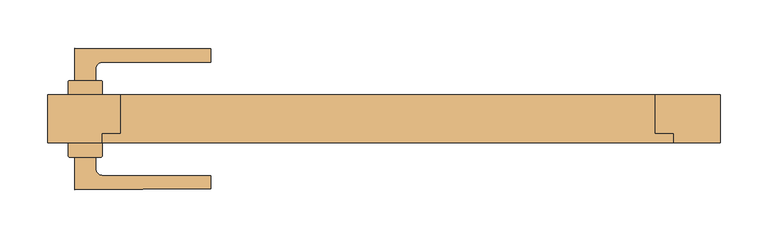
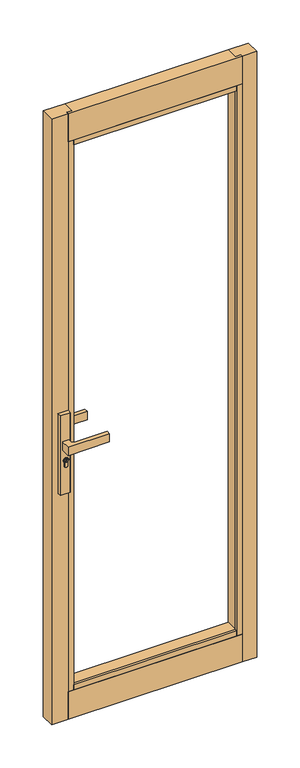
"""IFC4 building model written with IfcOpenShell, lengths in millimetres: door geometry."""

from ifc_helpers import new_model, si_unit, point, frame, frame_2d, origin, place, context, project, spatial, polyline, circle_curve, trimmed, segment, composite_curve, outline, extrude, faceted_brep, source, transform, mapped, element, save


def door_5876ca0b(model_context):
    return source(origin(), model_context, "Body", "SolidModel", [
        extrude(outline(composite_curve([segment(trimmed(circle_curve(frame_2d((945.687184, -315.651515)), 5.9005564), [point((945.687184, -309.7509586))], [point((945.687184, -321.5520714))], False, "CARTESIAN"), True, "CONTINUOUS"), segment(trimmed(circle_curve(frame_2d((945.687184, -315.651515)), 5.9005564), [point((945.687184, -321.5520714))], [point((945.687184, -309.7509586))], False, "CARTESIAN"), True, "CONTINUOUS")], self_intersect=False), holes=[polyline([(949.7292167, -316.7155863), (949.7292167, -314.6676469), (948.9292167, -314.6676469), (948.3483344, -315.7155863), (947.1634303, -315.7155863), (946.3431864, -314.8953425), (944.6002002, -314.8953425), (944.0258593, -315.7155863), (941.7685105, -315.7155863), (941.7685105, -316.7155863), (944.5464263, -316.7155863), (945.1207673, -315.8953425), (945.9289729, -315.8953425), (946.7492167, -316.7155863), (949.7292167, -316.7155863)])]), frame((0.0, 40.2500753, 0.0), z_axis=(0.0, 1.0, 0.0), x_axis=(0.0, 0.0, 1.0)), (0.0, 0.0, 1.0), 4.423715),
        extrude(outline(composite_curve([segment(trimmed(circle_curve(frame_2d((-332.3000337, 39.0000748)), 1.0), [point((-333.3000337, 39.0000748))], [point((-332.3000337, 40.0000748))], False, "CARTESIAN"), True, "CONTINUOUS"), segment(polyline([(-332.3000337, 40.0000748), (-299.3000339, 40.0000748)]), True, "CONTINUOUS"), segment(trimmed(circle_curve(frame_2d((-299.3000339, 39.0000748)), 1.0), [point((-299.3000339, 40.0000748))], [point((-298.3000339, 39.0000748))], False, "CARTESIAN"), True, "CONTINUOUS"), segment(polyline([(-298.3000339, 39.0000748), (-298.3000339, 25.0000751), (-333.3000337, 25.0000751), (-333.3000337, 39.0000748)]), True, "CONTINUOUS")], self_intersect=False)), frame((0.0, 0.0, 822.4734334), z_axis=(0.0, 0.0, 1.0), x_axis=(1.0, 0.0, 0.0)), (0.0, 0.0, 1.0), 287.6450734),
        extrude(outline(composite_curve([segment(polyline([(-333.3000337, -38.9999345), (-333.3000337, -24.9999349), (-298.3000339, -24.9999349), (-298.3000339, -38.9999345)]), True, "CONTINUOUS"), segment(trimmed(circle_curve(frame_2d((-299.3000339, -38.9999345)), 1.0), [point((-298.3000339, -38.9999345))], [point((-299.3000339, -39.9999345))], False, "CARTESIAN"), True, "CONTINUOUS"), segment(polyline([(-299.3000339, -39.9999345), (-332.3000337, -39.9999345)]), True, "CONTINUOUS"), segment(trimmed(circle_curve(frame_2d((-332.3000337, -38.9999345)), 1.0), [point((-332.3000337, -39.9999345))], [point((-333.3000337, -38.9999345))], False, "CARTESIAN"), True, "CONTINUOUS")], self_intersect=False)), frame((0.0, 0.0, 822.4734334), z_axis=(0.0, 0.0, 1.0), x_axis=(1.0, 0.0, 0.0)), (0.0, 0.0, 1.0), 287.6450734),
        extrude(outline(composite_curve([segment(trimmed(circle_curve(frame_2d((945.687184, -315.651515)), 8.4005564), [point((939.648662, -309.811515))], [point((939.2521745, -321.051515))], False, "CARTESIAN"), True, "CONTINUOUS"), segment(polyline([(939.2521745, -321.051515), (926.2077404, -321.051515)]), True, "CONTINUOUS"), segment(trimmed(circle_curve(frame_2d((926.2077404, -315.431515)), 5.62), [point((926.2077404, -321.051515))], [point((926.2077404, -309.811515))], False, "CARTESIAN"), True, "CONTINUOUS"), segment(polyline([(926.2077404, -309.811515), (939.648662, -309.811515)]), True, "CONTINUOUS")], self_intersect=False), holes=[composite_curve([segment(trimmed(circle_curve(frame_2d((945.687184, -315.651515)), 6.4005564), [point((945.687184, -309.2509586))], [point((945.687184, -322.0520714))], True, "CARTESIAN"), True, "CONTINUOUS"), segment(trimmed(circle_curve(frame_2d((945.687184, -315.651515)), 6.4005564), [point((945.687184, -322.0520714))], [point((945.687184, -309.2509586))], True, "CARTESIAN"), True, "CONTINUOUS")], self_intersect=False)]), frame((0.0, 40.2500753, 0.0), z_axis=(0.0, 1.0, 0.0), x_axis=(0.0, 0.0, 1.0)), (0.0, 0.0, 1.0), 3.0593403),
        extrude(outline(composite_curve([segment(trimmed(circle_curve(frame_2d((945.687184, -315.651515)), 6.4005564), [point((945.687184, -322.0520714))], [point((945.687184, -309.2509586))], False, "CARTESIAN"), True, "CONTINUOUS"), segment(trimmed(circle_curve(frame_2d((945.687184, -315.651515)), 6.4005564), [point((945.687184, -309.2509586))], [point((945.687184, -322.0520714))], False, "CARTESIAN"), True, "CONTINUOUS")], self_intersect=False), holes=[composite_curve([segment(trimmed(circle_curve(frame_2d((945.687184, -315.651515)), 5.9005564), [point((945.687184, -321.5520714))], [point((945.687184, -309.7509586))], True, "CARTESIAN"), True, "CONTINUOUS"), segment(trimmed(circle_curve(frame_2d((945.687184, -315.651515)), 5.9005564), [point((945.687184, -309.7509586))], [point((945.687184, -321.5520714))], True, "CARTESIAN"), True, "CONTINUOUS")], self_intersect=False)]), frame((0.0, 40.2500753, 0.0), z_axis=(0.0, 1.0, 0.0), x_axis=(0.0, 0.0, 1.0)), (0.0, 0.0, 1.0), 3.0593403),
        extrude(outline(composite_curve([segment(polyline([(939.1595834, -321.251515), (926.2077404, -321.251515)]), True, "CONTINUOUS"), segment(trimmed(circle_curve(frame_2d((926.2077404, -315.431515)), 5.82), [point((926.2077404, -321.251515))], [point((926.2077404, -309.611515))], False, "CARTESIAN"), True, "CONTINUOUS"), segment(polyline([(926.2077404, -309.611515), (939.564442, -309.611515)]), True, "CONTINUOUS"), segment(trimmed(circle_curve(frame_2d((945.687184, -315.651515)), 8.6005564), [point((939.564442, -309.611515))], [point((939.1595834, -321.251515))], False, "CARTESIAN"), True, "CONTINUOUS")], self_intersect=False), holes=[composite_curve([segment(polyline([(926.2077404, -321.051515), (939.2521745, -321.051515)]), True, "CONTINUOUS"), segment(trimmed(circle_curve(frame_2d((945.687184, -315.651515)), 8.4005564), [point((939.2521745, -321.051515))], [point((939.648662, -309.811515))], True, "CARTESIAN"), True, "CONTINUOUS"), segment(polyline([(939.648662, -309.811515), (926.2077404, -309.811515)]), True, "CONTINUOUS"), segment(trimmed(circle_curve(frame_2d((926.2077404, -315.431515)), 5.62), [point((926.2077404, -309.811515))], [point((926.2077404, -321.051515))], True, "CARTESIAN"), True, "CONTINUOUS")], self_intersect=False)]), frame((0.0, 40.2500753, 0.0), z_axis=(0.0, 1.0, 0.0), x_axis=(0.0, 0.0, 1.0)), (0.0, 0.0, 1.0), 3.0593403),
        extrude(outline(composite_curve([segment(trimmed(circle_curve(frame_2d((-259.8000335, -862.7499249)), 939.0), [point((-326.8000338, 73.8567161))], [point((-184.8000284, 73.2500747))], False, "CARTESIAN"), True, "CONTINUOUS"), segment(polyline([(-184.8000284, 73.2500747), (-184.8000284, 59.2500738), (-297.2954991, 59.2500738)]), True, "CONTINUOUS"), segment(trimmed(circle_curve(frame_2d((-297.3000338, 51.7500751)), 7.5), [point((-297.2954991, 59.2500738))], [point((-304.8000338, 51.7500751))], True, "CARTESIAN"), True, "CONTINUOUS"), segment(polyline([(-304.8000338, 51.7500751), (-304.8000338, 40.2500753), (-326.8000338, 40.2500753), (-326.8000338, 73.8567161)]), True, "CONTINUOUS")], self_intersect=False)), frame((0.0, 0.0, 985.1796291), z_axis=(0.0, 0.0, 1.0), x_axis=(1.0, 0.0, 0.0)), (0.0, 0.0, 1.0), 29.6407418),
        extrude(outline(composite_curve([segment(trimmed(circle_curve(frame_2d((945.687184, -315.651515)), 5.9005564), [point((945.687184, -309.7509586))], [point((945.687184, -321.5520714))], False, "CARTESIAN"), True, "CONTINUOUS"), segment(trimmed(circle_curve(frame_2d((945.687184, -315.651515)), 5.9005564), [point((945.687184, -321.5520714))], [point((945.687184, -309.7509586))], False, "CARTESIAN"), True, "CONTINUOUS")], self_intersect=False), holes=[polyline([(949.7292167, -316.7155863), (949.7292167, -314.6676469), (948.9292167, -314.6676469), (948.3483344, -315.7155863), (947.1634303, -315.7155863), (946.3431864, -314.8953425), (944.6002002, -314.8953425), (944.0258593, -315.7155863), (941.7685105, -315.7155863), (941.7685105, -316.7155863), (944.5464263, -316.7155863), (945.1207673, -315.8953425), (945.9289729, -315.8953425), (946.7492167, -316.7155863), (949.7292167, -316.7155863)])]), frame((0.0, -44.67365, 0.0), z_axis=(0.0, 1.0, 0.0), x_axis=(0.0, 0.0, 1.0)), (0.0, 0.0, 1.0), 4.423715),
        extrude(outline(composite_curve([segment(trimmed(circle_curve(frame_2d((945.687184, -315.651515)), 8.4005564), [point((939.648662, -309.811515))], [point((939.2521745, -321.051515))], False, "CARTESIAN"), True, "CONTINUOUS"), segment(polyline([(939.2521745, -321.051515), (926.2077404, -321.051515)]), True, "CONTINUOUS"), segment(trimmed(circle_curve(frame_2d((926.2077404, -315.431515)), 5.62), [point((926.2077404, -321.051515))], [point((926.2077404, -309.811515))], False, "CARTESIAN"), True, "CONTINUOUS"), segment(polyline([(926.2077404, -309.811515), (939.648662, -309.811515)]), True, "CONTINUOUS")], self_intersect=False), holes=[composite_curve([segment(trimmed(circle_curve(frame_2d((945.687184, -315.651515)), 6.4005564), [point((945.687184, -309.2509586))], [point((945.687184, -322.0520714))], True, "CARTESIAN"), True, "CONTINUOUS"), segment(trimmed(circle_curve(frame_2d((945.687184, -315.651515)), 6.4005564), [point((945.687184, -322.0520714))], [point((945.687184, -309.2509586))], True, "CARTESIAN"), True, "CONTINUOUS")], self_intersect=False)]), frame((0.0, -43.3092753, 0.0), z_axis=(0.0, 1.0, 0.0), x_axis=(0.0, 0.0, 1.0)), (0.0, 0.0, 1.0), 3.0593403),
        extrude(outline(composite_curve([segment(trimmed(circle_curve(frame_2d((945.687184, -315.651515)), 6.4005564), [point((945.687184, -322.0520714))], [point((945.687184, -309.2509586))], False, "CARTESIAN"), True, "CONTINUOUS"), segment(trimmed(circle_curve(frame_2d((945.687184, -315.651515)), 6.4005564), [point((945.687184, -309.2509586))], [point((945.687184, -322.0520714))], False, "CARTESIAN"), True, "CONTINUOUS")], self_intersect=False), holes=[composite_curve([segment(trimmed(circle_curve(frame_2d((945.687184, -315.651515)), 5.9005564), [point((945.687184, -321.5520714))], [point((945.687184, -309.7509586))], True, "CARTESIAN"), True, "CONTINUOUS"), segment(trimmed(circle_curve(frame_2d((945.687184, -315.651515)), 5.9005564), [point((945.687184, -309.7509586))], [point((945.687184, -321.5520714))], True, "CARTESIAN"), True, "CONTINUOUS")], self_intersect=False)]), frame((0.0, -43.3092753, 0.0), z_axis=(0.0, 1.0, 0.0), x_axis=(0.0, 0.0, 1.0)), (0.0, 0.0, 1.0), 3.0593403),
        extrude(outline(composite_curve([segment(polyline([(939.1595834, -321.251515), (926.2077404, -321.251515)]), True, "CONTINUOUS"), segment(trimmed(circle_curve(frame_2d((926.2077404, -315.431515)), 5.82), [point((926.2077404, -321.251515))], [point((926.2077404, -309.611515))], False, "CARTESIAN"), True, "CONTINUOUS"), segment(polyline([(926.2077404, -309.611515), (939.564442, -309.611515)]), True, "CONTINUOUS"), segment(trimmed(circle_curve(frame_2d((945.687184, -315.651515)), 8.6005564), [point((939.564442, -309.611515))], [point((939.1595834, -321.251515))], False, "CARTESIAN"), True, "CONTINUOUS")], self_intersect=False), holes=[composite_curve([segment(polyline([(926.2077404, -321.051515), (939.2521745, -321.051515)]), True, "CONTINUOUS"), segment(trimmed(circle_curve(frame_2d((945.687184, -315.651515)), 8.4005564), [point((939.2521745, -321.051515))], [point((939.648662, -309.811515))], True, "CARTESIAN"), True, "CONTINUOUS"), segment(polyline([(939.648662, -309.811515), (926.2077404, -309.811515)]), True, "CONTINUOUS"), segment(trimmed(circle_curve(frame_2d((926.2077404, -315.431515)), 5.62), [point((926.2077404, -309.811515))], [point((926.2077404, -321.051515))], True, "CARTESIAN"), True, "CONTINUOUS")], self_intersect=False)]), frame((0.0, -43.3092753, 0.0), z_axis=(0.0, 1.0, 0.0), x_axis=(0.0, 0.0, 1.0)), (0.0, 0.0, 1.0), 3.0593403),
        extrude(outline(composite_curve([segment(polyline([(-326.8000338, -73.8565759), (-326.8000338, -40.249935), (-304.8000338, -40.249935), (-304.8000338, -51.7499349)]), True, "CONTINUOUS"), segment(trimmed(circle_curve(frame_2d((-297.3000338, -51.7499349)), 7.5), [point((-304.8000338, -51.7499349))], [point((-297.2954991, -59.2499335))], True, "CARTESIAN"), True, "CONTINUOUS"), segment(polyline([(-297.2954991, -59.2499335), (-184.8000284, -59.2499335), (-184.8000284, -73.2499345)]), True, "CONTINUOUS"), segment(trimmed(circle_curve(frame_2d((-259.8000335, 862.7500651)), 939.0), [point((-184.8000284, -73.2499345))], [point((-326.8000338, -73.8565759))], False, "CARTESIAN"), True, "CONTINUOUS")], self_intersect=False)), frame((0.0, 0.0, 985.1796291), z_axis=(0.0, 0.0, 1.0), x_axis=(1.0, 0.0, 0.0)), (0.0, 0.0, 1.0), 29.6407418),
        faceted_brep([(-278.8000837, 25.0000651, 2063.0399064), (-278.8000837, -15.9994771, 2063.0399064), (-278.8000837, -15.9994771, 2082.0399064), (-278.8000837, -15.9994771, 2182.0899064), (-278.8000837, 25.0000651, 2182.0899064), (279.0000593, 25.0000651, 2063.0399064), (279.0000593, 25.0000651, 2182.0899064), (279.0000593, -15.9994771, 2182.0899064), (279.0000593, -15.9994771, 2082.0399064), (279.0000593, -15.9994771, 2063.0399064), (-297.8000837, -15.9994771, 2082.0399064), (-297.8000837, -24.9999674, 2082.0399064), (-297.8000837, -24.9999674, 2182.0899064), (-297.8000837, -15.9994771, 2182.0899064), (298.0000593, -15.9994771, 2082.0399064), (298.0000593, -15.9994771, 2182.0899064), (298.0000593, -24.9999674, 2182.0899064), (298.0000593, -24.9999674, 2082.0399064)], [[[0, 1, 2, 3, 4]], [[5, 6, 7, 8, 9]], [[4, 6, 5, 0]], [[0, 5, 9, 1]], [[9, 8, 2, 1]], [[10, 11, 12, 13]], [[14, 15, 16, 17]], [[13, 3, 2, 10]], [[14, 8, 7, 15]], [[10, 2, 8, 14, 17, 11]], [[11, 17, 16, 12]], [[12, 16, 15, 7, 6, 4, 3, 13]]]),
        faceted_brep([(-297.8000837, -24.9999349, 90.9821405), (-297.8000837, -15.9994771, 90.9821405), (-297.8000837, -15.9994771, -9.0178595), (-297.8000837, -24.9999349, -9.0178595), (298.0000593, -24.9999349, 90.9821405), (298.0000593, -24.9999349, -9.0178595), (298.0000593, -15.9994771, -9.0178595), (298.0000593, -15.9994771, 90.9821405), (279.0000593, -15.9994771, 90.9821405), (-278.8000837, -15.9994771, 90.9821405), (-278.8000837, -15.9994771, -9.0178595), (-278.8000837, 25.0000651, -9.0178595), (279.0000593, 25.0000651, -9.0178595), (279.0000593, -15.9994771, -9.0178595), (-278.8000837, 25.0000651, 109.9821405), (-278.8000837, -15.9994771, 109.9821405), (279.0000593, 25.0000651, 109.9821405), (279.0000593, -15.9994771, 109.9821405)], [[[0, 1, 2, 3]], [[4, 5, 6, 7]], [[0, 4, 7, 8, 9, 1]], [[3, 5, 4, 0]], [[2, 10, 11, 12, 13, 6, 5, 3]], [[14, 11, 10, 9, 15]], [[16, 17, 8, 13, 12]], [[14, 16, 12, 11]], [[15, 17, 16, 14]], [[15, 9, 8, 17]], [[1, 9, 10, 2]], [[6, 13, 8, 7]]]),
        extrude(outline(polyline([(279.0000573, -15.9994771), (298.0000593, -15.9994771), (298.0000593, -24.9999674), (279.0000573, -24.9999674), (279.0000573, -15.9994771)])), frame((0.0, 0.0, 90.9821405), z_axis=(0.0, 0.0, 1.0), x_axis=(1.0, 0.0, 0.0)), (0.0, 0.0, 1.0), 1991.057766),
        extrude(outline(polyline([(-278.8000837, 25.0000651), (-278.8000837, -15.9994771), (-297.8000837, -15.9994771), (-297.8000837, -24.9999349), (-354.8000837, -24.9999349), (-354.8000837, 25.0000651), (-278.8000837, 25.0000651)])), frame((0.0, 0.0, -9.0178595), z_axis=(0.0, 0.0, 1.0), x_axis=(1.0, 0.0, 0.0)), (0.0, 0.0, 1.0), 2191.107766),
        extrude(outline(polyline([(-278.8000837, -15.9994771), (279.0000593, -15.9994771), (279.0000593, -24.9999674), (-278.8000837, -24.9999674), (-278.8000837, -15.9994771)])), frame((0.0, 0.0, 2063.0399064), z_axis=(0.0, 0.0, 1.0), x_axis=(1.0, 0.0, 0.0)), (0.0, 0.0, 1.0), 19.0),
        extrude(outline(polyline([(-278.8000837, -15.9994771), (279.0000593, -15.9994771), (279.0000593, -24.9999674), (-278.8000837, -24.9999674), (-278.8000837, -15.9994771)])), frame((0.0, 0.0, 2063.0399044), z_axis=(0.0, 0.0, 1.0), x_axis=(1.0, 0.0, 0.0)), (0.0, 0.0, 1.0), 19.000002),
        extrude(outline(polyline([(-278.8000837, -15.9994771), (279.0000593, -15.9994771), (279.0000593, -24.9999349), (-278.8000837, -24.9999349), (-278.8000837, -15.9994771)])), frame((0.0, 0.0, 90.9821405), z_axis=(0.0, 0.0, 1.0), x_axis=(1.0, 0.0, 0.0)), (0.0, 0.0, 1.0), 19.0),
        extrude(outline(polyline([(279.0000573, -15.9994771), (298.0000593, -15.9994771), (298.0000593, -24.9999674), (279.0000573, -24.9999674), (279.0000573, -15.9994771)])), frame((0.0, 0.0, 90.9821405), z_axis=(0.0, 0.0, 1.0), x_axis=(1.0, 0.0, 0.0)), (0.0, 0.0, 1.0), 1991.057766),
        extrude(outline(polyline([(-278.8000837, -15.9994771), (-278.8000837, -24.9999349), (-297.8000837, -24.9999349), (-297.8000837, -15.9994771), (-278.8000837, -15.9994771)])), frame((0.0, 0.0, 90.9821405), z_axis=(0.0, 0.0, 1.0), x_axis=(1.0, 0.0, 0.0)), (0.0, 0.0, 1.0), 1991.057766),
        extrude(outline(polyline([(279.0000593, 25.0000651), (347.0000593, 25.0000651), (347.0000593, -24.9999674), (298.0000593, -24.9999674), (298.0000593, -15.9994771), (279.0000593, -15.9994771), (279.0000593, 25.0000651)])), frame((0.0, 0.0, -9.0178595), z_axis=(0.0, 0.0, 1.0), x_axis=(1.0, 0.0, 0.0)), (0.0, 0.0, 1.0), 2191.107766),
    ])


if __name__ == "__main__":
    model = new_model("IFC4")
    model_context = context("Model", 3, world=origin())
    ifc_project = project(units=[si_unit("LENGTHUNIT", "METRE", prefix="MILLI")], contexts=[model_context])
    site = spatial("IfcSite", under=ifc_project)
    building = spatial("IfcBuilding", under=site)
    placement = place(None, origin())
    door_shape = door_5876ca0b(model_context)
    element("IfcDoor", 1, at=placement, inside=building, context=model_context, shape_type="MappedRepresentation", body=[
        mapped(door_shape, transform((0.0, 0.0, 0.0), x_axis=(1.0, 0.0, 0.0), y_axis=(0.0, 1.0, 0.0), z_axis=(0.0, 0.0, 1.0))),
    ])
    save(model, "model.ifc")
